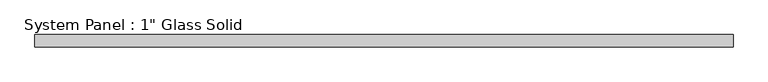
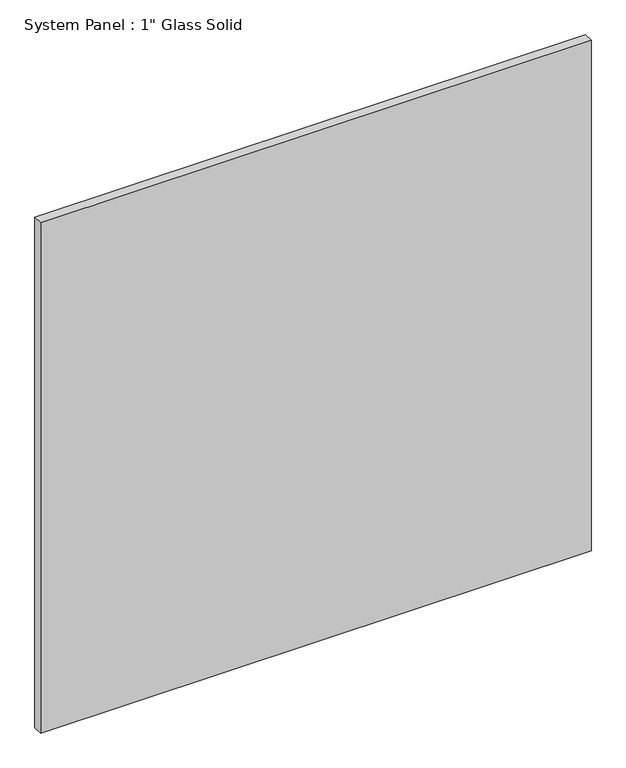
"""IFC4 building model written with IfcOpenShell, lengths in millimetres: plate geometry."""

from ifc_helpers import new_model, si_unit, origin, origin_with_axes, place, context, project, spatial, polyline, outline, extrude, source, transform, mapped, element, save


def plate_c4b483ed(model_context):
    return source(origin(), model_context, "Body", "SweptSolid", [
        extrude(outline(polyline([(721.2054024, -12.7), (-721.2054024, -12.7), (-721.2054024, 12.7), (721.2054024, 12.7), (721.2054024, -12.7)])), origin_with_axes(), (0.0, 0.0, 1.0), 1413.6241382),
    ])


if __name__ == "__main__":
    model = new_model("IFC4")
    model_context = context("Model", 3, world=origin())
    ifc_project = project(units=[si_unit("LENGTHUNIT", "METRE", prefix="MILLI")], contexts=[model_context])
    site = spatial("IfcSite", under=ifc_project)
    building = spatial("IfcBuilding", under=site)
    placement = place(None, origin())
    plate_shape = plate_c4b483ed(model_context)
    element("IfcPlate", 1, ObjectType="System Panel : 1\" Glass Solid", at=placement, inside=building, context=model_context, shape_type="MappedRepresentation", body=[
        mapped(plate_shape, transform((0.0, 0.0, 0.0), x_axis=(1.0, 0.0, 0.0), y_axis=(0.0, 1.0, 0.0), z_axis=(0.0, 0.0, 1.0))),
    ])
    save(model, "model.ifc")
